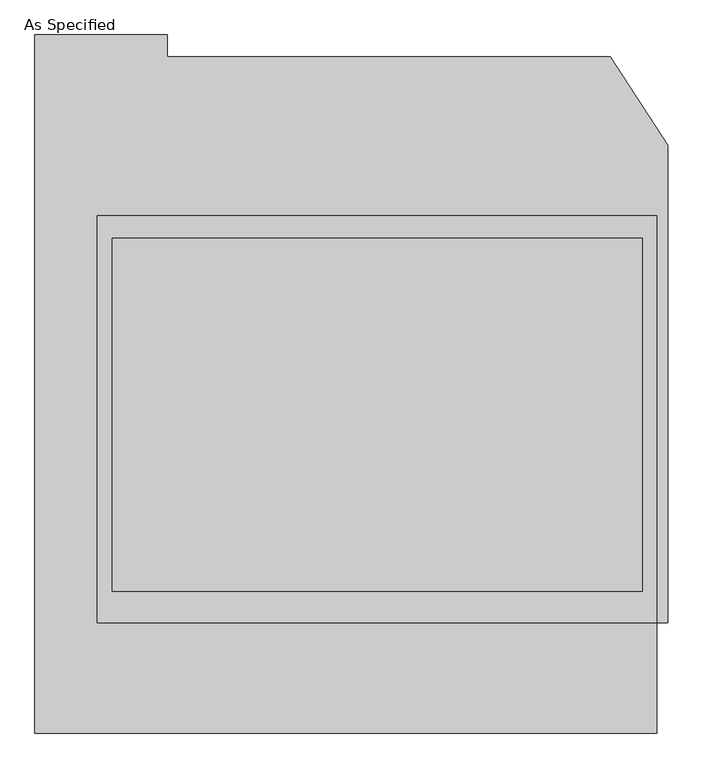
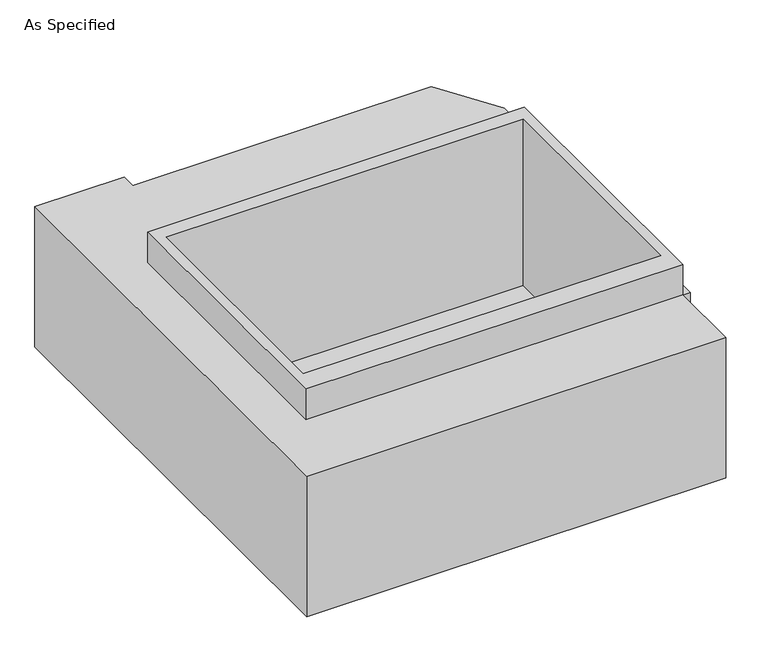
"""IFC4 building model written with IfcOpenShell, lengths in millimetres: proxy geometry, As Specified."""

from ifc_helpers import new_model, si_unit, frame, origin, place, context, project, spatial, polyline, outline, extrude, faceted_brep, source, transform, mapped, element, save


def as_specified_032517ab(model_context):
    return source(origin(), model_context, "Body", "SolidModel", [
        extrude(outline(polyline([(965.2, 617.8351562), (965.2, -785.5148438), (-965.2, -785.5148438), (-965.2, 617.8351562), (965.2, 617.8351562)]), holes=[polyline([(-914.4, 541.6748437), (-914.4, -677.5251563), (914.4, -677.5251563), (914.4, 541.6748437), (-914.4, 541.6748437)])]), frame((0.0, 0.0, -762.0), z_axis=(0.0, 0.0, 1.0), x_axis=(1.0, 0.0, 0.0)), (0.0, 0.0, 1.0), 901.7),
        faceted_brep([(965.2, -785.5148438, -787.4), (965.2, -1166.5148438, -787.4), (-1181.1, -1166.5148438, -787.4), (-1181.1, 1242.6751562, -787.4), (-723.9, 1242.6751562, -787.4), (-723.9, 1166.5148437, -787.4), (803.860123, 1166.5148437, -787.4), (1003.3, 862.0233299, -787.4), (1003.3, -785.5148438, -787.4), (965.2, -1166.5148438, -25.4), (965.2, -785.5148438, -25.4), (1003.3, -785.5148438, -25.4), (1003.3, 862.0233299, -25.4), (803.860123, 1166.5148437, -25.4), (-723.9, 1166.5148437, -25.4), (-723.9, 1242.6751562, -25.4), (-1181.1, 1242.6751562, -25.4), (-1181.1, -1166.5148438, -25.4), (914.4, 541.6748437, -25.4), (914.4, -677.5251563, -25.4), (-914.4, -677.5251563, -25.4), (-914.4, 541.6748437, -25.4), (914.4, 541.6748437, -762.0), (-914.4, 541.6748437, -762.0), (-914.4, -677.5251563, -762.0), (914.4, -677.5251563, -762.0)], [[[0, 1, 2, 3, 4, 5, 6, 7, 8]], [[9, 10, 11, 12, 13, 14, 15, 16, 17], [18, 19, 20, 21]], [[13, 6, 5, 14]], [[8, 11, 10, 0]], [[11, 8, 7, 12]], [[1, 0, 10, 9]], [[1, 9, 17, 2]], [[7, 6, 13, 12]], [[22, 23, 24, 25]], [[22, 25, 19, 18]], [[25, 24, 20, 19]], [[24, 23, 21, 20]], [[23, 22, 18, 21]], [[3, 2, 17, 16]], [[5, 4, 15, 14]], [[4, 3, 16, 15]]]),
    ])


if __name__ == "__main__":
    model = new_model("IFC4")
    model_context = context("Model", 3, world=origin())
    ifc_project = project(units=[si_unit("LENGTHUNIT", "METRE", prefix="MILLI")], contexts=[model_context])
    site = spatial("IfcSite", under=ifc_project)
    building = spatial("IfcBuilding", under=site)
    placement = place(None, origin())
    as_specified_shape = as_specified_032517ab(model_context)
    element("IfcBuildingElementProxy", 1, Name="As Specified", ObjectType="As Specified", at=placement, inside=building, context=model_context, shape_type="MappedRepresentation", body=[
        mapped(as_specified_shape, transform((0.0, 0.0, 0.0), x_axis=(1.0, 0.0, 0.0), y_axis=(0.0, 1.0, 0.0), z_axis=(0.0, 0.0, 1.0))),
    ])
    save(model, "model.ifc")
